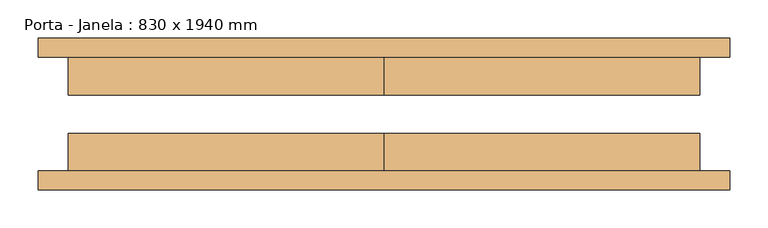
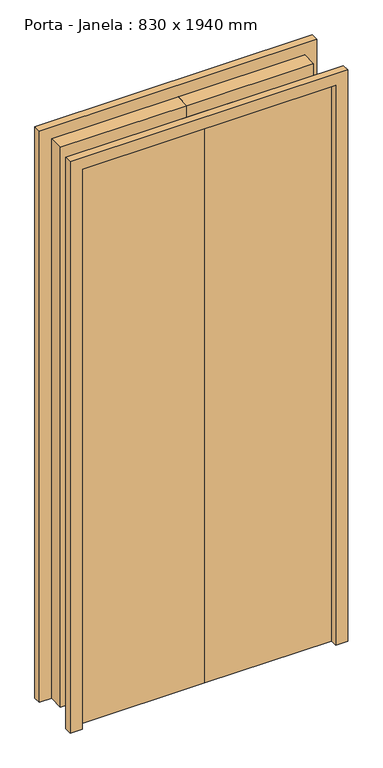
"""IFC4 building model written with IfcOpenShell, lengths in millimetres: door geometry, Porta - Janela : 830 x 1940 mm."""

import ifcopenshell
import ifcopenshell.guid

model = None  # the IFC model being written
_history = None  # IfcOwnerHistory: only IFC2X3 demands one
_inside = {}  # id of a spatial element -> (the spatial element, [elements in it])
_under = {}  # id of a project, library or spatial element -> (it, [spatial elements below it])
_declared = {}  # id of a project -> (the project, [libraries it declares])
_typed = {}  # id of a type object -> (the type object, [elements of that type])
_made_of = {}  # id of a material, layer set ... -> (it, [elements and type objects made of it])


def new_model(schema):
    """Start an empty IFC model of exactly this schema.

    Asked for "IFC4X3", IfcOpenShell would pick the latest addendum, in which some entities
    have other attributes; the version numbers below select the first issue.
    IFC2X3 requires an IfcOwnerHistory on every rooted entity: one is made here for all.
    """
    global model, _history
    if schema == "IFC4X3":
        model = ifcopenshell.file(schema_version=(4, 3, 0, 0))
    else:
        model = ifcopenshell.file(schema=schema)
    _inside.clear()
    _under.clear()
    _declared.clear()
    _typed.clear()
    _made_of.clear()
    _history = None
    if model.schema == "IFC2X3":
        org = make("IfcOrganization", Name="unknown")
        user = make(
            "IfcPersonAndOrganization",
            ThePerson=make("IfcPerson", FamilyName="unknown"),
            TheOrganization=org,
        )
        app = make(
            "IfcApplication",
            ApplicationDeveloper=org,
            Version="unknown",
            ApplicationFullName="unknown",
            ApplicationIdentifier="unknown",
        )
        _history = make(
            "IfcOwnerHistory",
            OwningUser=user,
            OwningApplication=app,
            ChangeAction="ADDED",
            CreationDate=0,
        )
    return model


def make(cls, **values):
    """One entity of the class cls with the attributes given. An attribute that is None is left unset."""
    return model.create_entity(
        cls, **{name: value for name, value in values.items() if value is not None}
    )


def rooted(cls, **values):
    """An entity with a GlobalId (a new one), such as an element, a storey or a relation."""
    return make(cls, GlobalId=ifcopenshell.guid.new(), OwnerHistory=_history, **values)


def si_unit(unit_type, name, prefix=None):
    """IfcSIUnit, for example si_unit("LENGTHUNIT", "METRE", prefix="MILLI")."""
    return make("IfcSIUnit", UnitType=unit_type, Prefix=prefix, Name=name)


def assignment(units):
    """IfcUnitAssignment: the units of a project."""
    return None if units is None else make("IfcUnitAssignment", Units=units)


def point(xyz):
    """IfcCartesianPoint."""
    return None if xyz is None else make("IfcCartesianPoint", Coordinates=xyz)


def direction(xyz):
    """IfcDirection."""
    return None if xyz is None else make("IfcDirection", DirectionRatios=xyz)


def frame(location, z_axis=None, x_axis=None):
    """IfcAxis2Placement3D, a coordinate frame: its origin and axes. An axis left out is left unset."""
    return make(
        "IfcAxis2Placement3D",
        Location=point(location),
        Axis=direction(z_axis),
        RefDirection=direction(x_axis),
    )


def origin():
    """The frame at (0, 0, 0) with its axes left unset."""
    return frame((0.0, 0.0, 0.0))


def origin_with_axes():
    """The frame at (0, 0, 0) with the z axis (0, 0, 1) and the x axis (1, 0, 0) written out."""
    return frame((0.0, 0.0, 0.0), z_axis=(0.0, 0.0, 1.0), x_axis=(1.0, 0.0, 0.0))


def place(relative_to, where):
    """IfcLocalPlacement: puts the frame where relative to a parent placement (None: the world)."""
    return make(
        "IfcLocalPlacement", PlacementRelTo=relative_to, RelativePlacement=where
    )


def context(
    kind, dimensions, precision=None, world=None, true_north=None, identifier=None
):
    """IfcGeometricRepresentationContext, for example the 3D "Model" context."""
    return make(
        "IfcGeometricRepresentationContext",
        ContextIdentifier=identifier,
        ContextType=kind,
        CoordinateSpaceDimension=dimensions,
        Precision=precision,
        WorldCoordinateSystem=world,
        TrueNorth=true_north,
    )


def project(units=None, contexts=None):
    """IfcProject with its units and contexts."""
    return rooted(
        "IfcProject",
        Name="project",
        RepresentationContexts=contexts,
        UnitsInContext=assignment(units),
    )


def spatial(cls, under=None, at=None, **own):
    """A site, building, storey or space (cls), placed at a placement, below another one or the project."""
    s = rooted(cls, ObjectPlacement=at, **own)
    if under is not None:
        _under.setdefault(under.id(), (under, []))[1].append(s)
    return s


def polyline(points):
    """IfcPolyline through the points."""
    return make("IfcPolyline", Points=[point(p) for p in points])


def outline(outer, holes=None, kind="AREA"):
    """IfcArbitraryClosedProfileDef: a profile drawn as a closed curve; with holes, ...WithVoids."""
    if holes is None:
        return make("IfcArbitraryClosedProfileDef", ProfileType=kind, OuterCurve=outer)
    return make(
        "IfcArbitraryProfileDefWithVoids",
        ProfileType=kind,
        OuterCurve=outer,
        InnerCurves=holes,
    )


def extrude(swept, where, along, depth):
    """IfcExtrudedAreaSolid: the profile swept, set in the frame where, extruded along a direction by depth."""
    return make(
        "IfcExtrudedAreaSolid",
        SweptArea=swept,
        Position=where,
        ExtrudedDirection=direction(along),
        Depth=depth,
    )


def shape(context_of_items, identifier, shape_type, items):
    """IfcShapeRepresentation: the items that make up one representation, for example the "Body"."""
    return make(
        "IfcShapeRepresentation",
        ContextOfItems=context_of_items,
        RepresentationIdentifier=identifier,
        RepresentationType=shape_type,
        Items=items,
    )


def source(mapping_origin, context_of_items, identifier, shape_type, items):
    """IfcRepresentationMap: a shape defined once, which mapped items show again and again."""
    return make(
        "IfcRepresentationMap",
        MappingOrigin=mapping_origin,
        MappedRepresentation=shape(context_of_items, identifier, shape_type, items),
    )


def transform(
    local_origin,
    x_axis=None,
    y_axis=None,
    z_axis=None,
    scale=None,
    scale2=None,
    scale3=None,
    uniform=True,
):
    """IfcCartesianTransformationOperator3D, or its non-uniform kind. x_axis, y_axis, z_axis: its Axis1, 2, 3."""
    if uniform:
        return make(
            "IfcCartesianTransformationOperator3D",
            Axis1=direction(x_axis),
            Axis2=direction(y_axis),
            LocalOrigin=point(local_origin),
            Scale=scale,
            Axis3=direction(z_axis),
        )
    return make(
        "IfcCartesianTransformationOperator3DnonUniform",
        Axis1=direction(x_axis),
        Axis2=direction(y_axis),
        LocalOrigin=point(local_origin),
        Scale=scale,
        Axis3=direction(z_axis),
        Scale2=scale2,
        Scale3=scale3,
    )


def mapped(mapping_source, mapping_target):
    """IfcMappedItem: shows the shape of a source again, moved by a transform."""
    return make(
        "IfcMappedItem", MappingSource=mapping_source, MappingTarget=mapping_target
    )


def made_of(thing, what):
    """Note that an element or type object is made of a material, layer set ...; save() writes the relation."""
    if what is not None:
        _made_of.setdefault(what.id(), (what, []))[1].append(thing)
    return thing


def element(
    cls,
    number,
    at=None,
    inside=None,
    cuts=None,
    type_object=None,
    material=None,
    context=None,
    identifier="Body",
    shape_type=None,
    held_by="IfcProductDefinitionShape",
    body=None,
    shapes=None,
    **own,
):
    """One element of the class cls, such as IfcWall. Its Tag is "e" and its number.

    at: its placement. inside: the storey or other place that contains it. cuts: it is an
    opening in that element (IfcRelVoidsElement). A single representation is given by context,
    identifier, shape_type and body (its items); several are given by shapes. held_by: the class
    of the entity that holds the representations. save() writes the other relations.
    """
    e = rooted(cls, Tag="e%d" % number, ObjectPlacement=at, **own)
    if body is not None:
        shapes = [shape(context, identifier, shape_type, body)]
    if shapes is not None:
        e.Representation = make(held_by, Representations=shapes)
    if inside is not None:
        _inside.setdefault(inside.id(), (inside, []))[1].append(e)
    if cuts is not None:
        rooted(
            "IfcRelVoidsElement", RelatingBuildingElement=cuts, RelatedOpeningElement=e
        )
    if type_object is not None:
        _typed.setdefault(type_object.id(), (type_object, []))[1].append(e)
    return made_of(e, material)


def aggregate(whole, parts):
    """IfcRelAggregates: a whole, such as a stair, and the parts it consists of."""
    return rooted("IfcRelAggregates", RelatingObject=whole, RelatedObjects=parts)


def save(model, path):
    """Write the relations noted so far, then the file.

    IfcRelAggregates (storeys below a building ...), IfcRelContainedInSpatialStructure (elements
    in a storey), IfcRelDefinesByType, IfcRelAssociatesMaterial and IfcRelDeclares: one each for
    every whole, place, type object, material and project.
    """
    for whole, parts in _under.values():
        aggregate(whole, parts)
    for where, things in _inside.values():
        rooted(
            "IfcRelContainedInSpatialStructure",
            RelatedElements=things,
            RelatingStructure=where,
        )
    for kind, things in _typed.values():
        rooted("IfcRelDefinesByType", RelatedObjects=things, RelatingType=kind)
    for what, things in _made_of.values():
        rooted("IfcRelAssociatesMaterial", RelatedObjects=things, RelatingMaterial=what)
    for by, libraries in _declared.values():
        rooted("IfcRelDeclares", RelatingContext=by, RelatedDefinitions=libraries)
    model.write(path)


def porta_janela_830_x_1940_mm_372e6f4b(model_context):
    return source(origin(), model_context, "Body", "SweptSolid", [
        extrude(outline(polyline([(1940.0, -415.0), (1940.0, 415.0), (0.0, 415.0), (0.0, 455.0), (1980.0, 455.0), (1980.0, -455.0), (0.0, -455.0), (0.0, -415.0), (1940.0, -415.0)])), frame((0.0, -100.0, 0.0), z_axis=(0.0, 1.0, 0.0), x_axis=(0.0, 0.0, 1.0)), (0.0, 0.0, 1.0), 25.0),
        extrude(outline(polyline([(1940.0, -415.0), (1940.0, 415.0), (0.0, 415.0), (0.0, 455.0), (1980.0, 455.0), (1980.0, -455.0), (0.0, -455.0), (0.0, -415.0), (1940.0, -415.0)])), frame((0.0, 75.0, 0.0), z_axis=(0.0, 1.0, 0.0), x_axis=(0.0, 0.0, 1.0)), (0.0, 0.0, 1.0), 25.0),
        extrude(outline(polyline([(50.0, 75.0), (365.0, 75.0), (365.0, 25.0), (50.0, 25.0), (50.0, 75.0)])), frame((0.0, 0.0, 50.0), z_axis=(0.0, 0.0, 1.0), x_axis=(1.0, 0.0, 0.0)), (0.0, 0.0, 1.0), 1840.0),
        extrude(outline(polyline([(-365.0, 75.0), (-50.0, 75.0), (-50.0, 25.0), (-365.0, 25.0), (-365.0, 75.0)])), frame((0.0, 0.0, 50.0), z_axis=(0.0, 0.0, 1.0), x_axis=(1.0, 0.0, 0.0)), (0.0, 0.0, 1.0), 1840.0),
        extrude(outline(polyline([(415.0, -76.2), (0.0, -76.2), (0.0, -26.2), (415.0, -26.2), (415.0, -76.2)])), origin_with_axes(), (0.0, 0.0, 1.0), 1940.0),
        extrude(outline(polyline([(0.0, -76.2), (-415.0, -76.2), (-415.0, -26.2), (0.0, -26.2), (0.0, -76.2)])), origin_with_axes(), (0.0, 0.0, 1.0), 1940.0),
        extrude(outline(polyline([(1940.0, 0.0), (0.0, 0.0), (0.0, 415.0), (1940.0, 415.0), (1940.0, 0.0)]), holes=[polyline([(1890.0, 50.0), (1890.0, 365.0), (50.0, 365.0), (50.0, 50.0), (1890.0, 50.0)])]), frame((0.0, 25.0, 0.0), z_axis=(0.0, 1.0, 0.0), x_axis=(0.0, 0.0, 1.0)), (0.0, 0.0, 1.0), 50.0),
        extrude(outline(polyline([(1940.0, -415.0), (0.0, -415.0), (0.0, 0.0), (1940.0, 0.0), (1940.0, -415.0)]), holes=[polyline([(1890.0, -365.0), (1890.0, -50.0), (50.0, -50.0), (50.0, -365.0), (1890.0, -365.0)])]), frame((0.0, 25.0, 0.0), z_axis=(0.0, 1.0, 0.0), x_axis=(0.0, 0.0, 1.0)), (0.0, 0.0, 1.0), 50.0),
    ])


if __name__ == "__main__":
    model = new_model("IFC4")
    model_context = context("Model", 3, world=origin())
    ifc_project = project(units=[si_unit("LENGTHUNIT", "METRE", prefix="MILLI")], contexts=[model_context])
    site = spatial("IfcSite", under=ifc_project)
    building = spatial("IfcBuilding", under=site)
    placement = place(None, origin())
    porta_janela_830_x_1940_mm_shape = porta_janela_830_x_1940_mm_372e6f4b(model_context)
    element("IfcDoor", 1, ObjectType="Porta - Janela : 830 x 1940 mm", at=placement, inside=building, context=model_context, shape_type="MappedRepresentation", body=[
        mapped(porta_janela_830_x_1940_mm_shape, transform((0.0, 0.0, 0.0), x_axis=(1.0, 0.0, 0.0), y_axis=(0.0, 1.0, 0.0), z_axis=(0.0, 0.0, 1.0))),
    ])
    save(model, "model.ifc")
